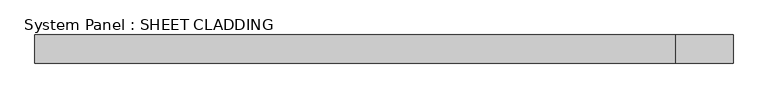
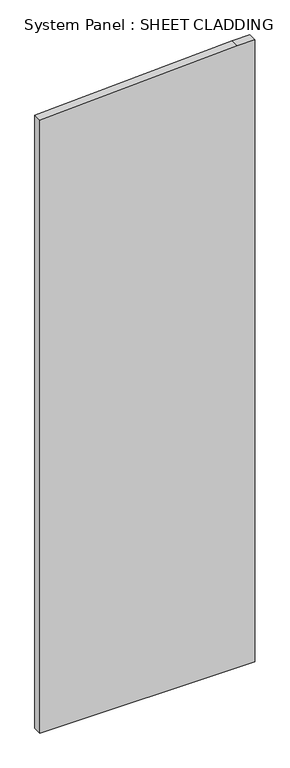
"""IFC4 building model written with IfcOpenShell, lengths in millimetres: plate geometry, System Panel : SHEET CLADDING."""

from ifc_helpers import new_model, si_unit, frame, origin, place, context, project, spatial, polyline, outline, extrude, source, transform, mapped, element, save


def system_panel_sheet_cladding_5c8bd1c9(model_context):
    return source(origin(), model_context, "Body", "SweptSolid", [
        extrude(outline(polyline([(0.0, -735.4591837), (0.0, 735.4591837), (4500.0, 735.4591837), (4500.0, 615.0918367), (4432.472449, -735.4591837), (0.0, -735.4591837)])), frame((0.0, -10.5, 0.0), z_axis=(0.0, 1.0, 0.0), x_axis=(0.0, 0.0, 1.0)), (0.0, 0.0, 1.0), 60.0),
    ])


if __name__ == "__main__":
    model = new_model("IFC4")
    model_context = context("Model", 3, world=origin())
    ifc_project = project(units=[si_unit("LENGTHUNIT", "METRE", prefix="MILLI")], contexts=[model_context])
    site = spatial("IfcSite", under=ifc_project)
    building = spatial("IfcBuilding", under=site)
    placement = place(None, origin())
    system_panel_sheet_cladding_shape = system_panel_sheet_cladding_5c8bd1c9(model_context)
    element("IfcPlate", 1, ObjectType="System Panel : SHEET CLADDING", at=placement, inside=building, context=model_context, shape_type="MappedRepresentation", body=[
        mapped(system_panel_sheet_cladding_shape, transform((0.0, 0.0, 0.0), x_axis=(1.0, 0.0, 0.0), y_axis=(0.0, 1.0, 0.0), z_axis=(0.0, 0.0, 1.0))),
    ])
    save(model, "model.ifc")
